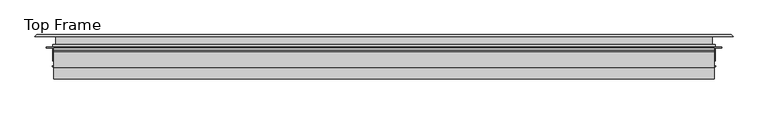
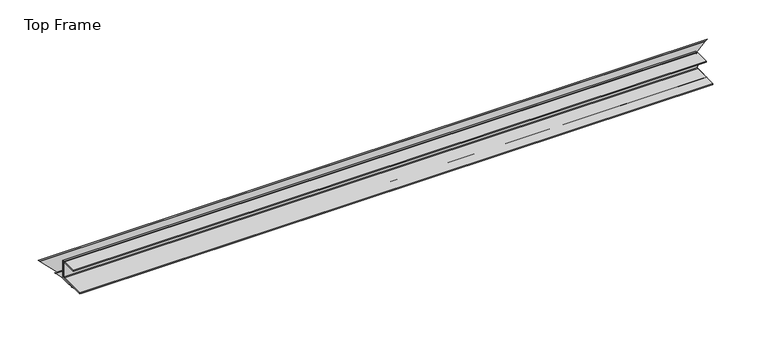
"""IFC4 building model written with IfcOpenShell, lengths in millimetres: proxy geometry, Top Frame."""

from ifc_helpers import new_model, si_unit, point, frame, frame_2d, origin, place, context, project, spatial, polyline, circle_curve, ellipse_curve, trimmed, segment, composite_curve, outline, extrude, source, transform, mapped, element, save
from ifc_brep_helpers import plane_surface, cylinder_surface, advanced_brep


def top_frame_e7799721(model_context):
    return source(origin(), model_context, "Body", "SolidModel", [
        extrude(outline(composite_curve([segment(polyline([(-142.2300781, 235.2841824), (-142.2300781, 236.8970824), (-101.5018112, 236.8970824)]), True, "CONTINUOUS"), segment(trimmed(circle_curve(frame_2d((-101.5018112, 237.7098824)), 0.8128), [point((-101.5018112, 236.8970824))], [point((-100.6890112, 237.7098824))], True, "CARTESIAN"), True, "CONTINUOUS"), segment(polyline([(-100.6890112, 237.7098824), (-100.6890112, 260.8323216)]), True, "CONTINUOUS"), segment(trimmed(circle_curve(frame_2d((-101.5187721, 260.8323216)), 0.8297608), [point((-100.6890112, 260.8323216))], [point((-101.5187721, 261.6620824))], True, "CARTESIAN"), True, "CONTINUOUS"), segment(polyline([(-101.5187721, 261.6620824), (-124.4761112, 261.6620824), (-124.4761112, 263.2749824), (-101.5018112, 263.2749824)]), True, "CONTINUOUS"), segment(trimmed(circle_curve(frame_2d((-101.5018112, 260.8492824)), 2.4257), [point((-101.5018112, 263.2749824))], [point((-99.0761112, 260.8492824))], False, "CARTESIAN"), True, "CONTINUOUS"), segment(polyline([(-99.0761112, 260.8492824), (-99.0761112, 237.7098824)]), True, "CONTINUOUS"), segment(trimmed(circle_curve(frame_2d((-101.5018112, 237.7098824)), 2.4257), [point((-99.0761112, 237.7098824))], [point((-101.5018112, 235.2841824))], False, "CARTESIAN"), True, "CONTINUOUS"), segment(polyline([(-101.5018112, 235.2841824), (-142.2300781, 235.2841824)]), True, "CONTINUOUS")], self_intersect=False)), frame((-153.8169575, 0.0, 0.0), z_axis=(1.0, 0.0, 0.0), x_axis=(0.0, 1.0, 0.0)), (0.0, 0.0, 1.0), 983.4569647),
        extrude(outline(polyline([(829.6400072, -95.9011112), (829.6400072, -99.0761112), (-153.8169575, -99.0761112), (-153.8169575, -95.9011112), (829.6400072, -95.9011112)])), frame((0.0, 0.0, 236.5795824), z_axis=(0.0, 0.0, 1.0), x_axis=(1.0, 0.0, 0.0)), (0.0, 0.0, 1.0), 25.4),
        advanced_brep(
        [(-151.2455434, -77.6321612, 230.8645824), (-151.2455434, -90.6620297, 230.8645824), (827.0244128, -90.6620297, 230.8645824), (827.0244128, -77.6321612, 230.8645824), (-155.6651434, -90.6620297, 235.2841824), (831.4440128, -90.6620297, 235.2841824), (-155.6651434, -94.3803043, 235.2841824), (831.4440128, -94.3803043, 235.2841824), (-164.8097078, -94.3803043, 244.4287468), (840.5885772, -94.3803043, 244.4287468), (-164.8097078, -95.8979182, 244.4287468), (840.5885772, -95.8979182, 244.4287468), (-155.6651434, -95.8979182, 235.2841824), (831.4440128, -95.8979182, 235.2841824), (-155.6651434, -115.1606612, 235.2841824), (831.4440128, -115.1606612, 235.2841824), (-149.1373434, -115.1606612, 228.7563824), (824.9162128, -115.1606612, 228.7563824), (-149.1373434, -122.1488543, 228.7563824), (824.9162128, -122.1488543, 228.7563824), (-155.2847078, -122.1488543, 234.9037468), (831.0635772, -122.1488543, 234.9037468), (-155.2847078, -123.6696612, 234.9037468), (831.0635772, -123.6696612, 234.9037468), (-147.6133434, -123.6696612, 227.2323824), (823.3922128, -123.6696612, 227.2323824), (-147.6133434, -119.8564682, 227.2323824), (823.3922128, -119.8564682, 227.2323824), (-147.6133434, -118.3272703, 227.2323824), (-147.6133434, -115.1606612, 227.2323824), (823.3922128, -115.1606612, 227.2323824), (823.3922128, -118.3272703, 227.2323824), (-139.4345434, -115.1606612, 219.0535824), (815.2134128, -115.1606612, 219.0535824), (-139.4345434, -118.3272703, 219.0535824), (815.2134128, -118.3272703, 219.0535824), (-137.6565434, -119.8564682, 217.2755824), (-137.6565434, -113.3826612, 217.2755824), (813.4354128, -113.3826612, 217.2755824), (813.4354128, -119.8564682, 217.2755824), (-153.8871434, -113.3826612, 233.5061824), (829.6660128, -113.3826612, 233.5061824), (-153.8871434, -108.4927874, 233.5061824), (829.6660128, -108.4927874, 233.5061824), (-153.8871434, -107.3505351, 233.5061824), (-153.8871434, -102.5144516, 233.5061824), (829.6660128, -102.5144516, 233.5061824), (829.6660128, -107.3505351, 233.5061824), (-153.8871434, -100.3016612, 233.5061824), (-153.8871434, -92.4400297, 233.5061824), (829.6660128, -92.4400297, 233.5061824), (829.6660128, -100.3016612, 233.5061824), (-146.7370434, -92.4400297, 226.3560824), (822.5159128, -92.4400297, 226.3560824), (-146.7370434, -89.7304417, 226.3560824), (822.5159128, -89.7304417, 226.3560824), (-149.294387, -90.6612387, 228.913426), (825.0732564, -90.6612387, 228.913426), (-139.6055265, -90.6620297, 219.2245655), (-142.1650434, -89.7304417, 221.7840824), (817.9439128, -89.7304417, 221.7840824), (815.384396, -90.6620297, 219.2245655), (-142.1650434, -92.1860297, 221.7840824), (817.9439128, -92.1860297, 221.7840824), (-137.6565434, -92.1860297, 217.2755824), (813.4354128, -92.1860297, 217.2755824), (-137.6565434, -75.8541612, 217.2755824), (813.4354128, -75.8541612, 217.2755824), (-179.3577357, -75.8541612, 258.9767747), (855.1366051, -75.8541612, 258.9767747), (-178.5371532, -77.6321612, 258.1561922), (854.3160227, -77.6321612, 258.1561922), (-179.333326, -78.4283341, 258.9523651), (855.1121955, -78.4283341, 258.9523651), (857.7107779, -78.4283341, 261.5509475), (-181.9319085, -78.4283341, 261.5509475), (-139.6055265, -77.6321612, 219.2245655), (815.384396, -77.6321612, 219.2245655), (-142.944387, -77.6321612, 222.563426), (818.7232564, -77.6321612, 222.563426), (-142.944387, -79.3102746, 222.563426), (818.7232564, -79.3102746, 222.563426), (-146.0064683, -79.3102746, 225.6255073), (821.7853377, -79.3102746, 225.6255073), (-146.0064683, -77.6321612, 225.6255073), (821.7853377, -77.6321612, 225.6255073), (-149.294387, -77.6321612, 228.913426), (825.0732564, -77.6321612, 228.913426), (-152.4924528, -100.3016612, 232.1114918), (828.2713222, -100.3016612, 232.1114918), (-152.4924528, -102.5144516, 232.1114918), (828.2713222, -102.5144516, 232.1114918), (-154.702796, -107.9216612, 234.321835), (830.4816655, -107.9216612, 234.321835), (-141.3083483, -119.8564682, 220.9273873), (817.0872177, -119.8564682, 220.9273873), (-141.3083483, -118.3272703, 220.9273873), (817.0872177, -118.3272703, 220.9273873), (-145.9196644, -118.3272703, 225.5387035), (821.6985339, -118.3272703, 225.5387035), (-145.9196644, -119.8564682, 225.5387035), (821.6985339, -119.8564682, 225.5387035)],
        [
            (0, 1),
            (1, 2),
            (2, 3),
            (3, 0),
            (1, 4),
            (4, 5),
            (5, 2),
            (4, 6),
            (6, 7),
            (7, 5),
            (6, 8),
            (8, 9),
            (9, 7),
            (8, 10, ellipse_curve(frame((-164.4178538, -95.1391112, 244.0368928), z_axis=(0.7071067811865469, 0.0, 0.7071067811865482), x_axis=(-0.707106781186548, 0.0, 0.7071067811865469)), 1.2077563, 0.8540127)),
            (10, 11),
            (11, 9, ellipse_curve(frame((840.1967232, -95.1391112, 244.0368928), z_axis=(-0.707106781186548, 0.0, 0.707106781186547), x_axis=(-0.7071067811865471, 0.0, -0.707106781186548)), 1.2077563, 0.8540127)),
            (10, 12),
            (12, 13),
            (13, 11),
            (12, 14),
            (14, 15),
            (15, 13),
            (14, 16),
            (16, 17),
            (17, 15),
            (16, 18),
            (18, 19),
            (19, 17),
            (18, 20),
            (20, 21),
            (21, 19),
            (20, 22, ellipse_curve(frame((-154.9444064, -122.9092578, 234.5634454), z_axis=(0.7071067811865469, 0.0, 0.7071067811865482), x_axis=(-0.707106781186548, 0.0, 0.7071067811865469)), 1.1781498, 0.8330777)),
            (22, 23),
            (23, 21, ellipse_curve(frame((830.7232759, -122.9092578, 234.5634454), z_axis=(-0.707106781186548, 0.0, 0.707106781186547), x_axis=(-0.7071067811865471, 0.0, -0.707106781186548)), 1.1781498, 0.8330777)),
            (22, 24),
            (24, 25),
            (25, 23),
            (24, 26),
            (26, 27),
            (27, 25),
            (28, 29),
            (29, 30),
            (30, 31),
            (31, 28),
            (29, 32),
            (32, 33),
            (33, 30),
            (32, 34),
            (34, 35),
            (35, 33),
            (36, 37),
            (37, 38),
            (38, 39),
            (39, 36),
            (37, 40),
            (40, 41),
            (41, 38),
            (40, 42),
            (42, 43),
            (43, 41),
            (44, 45),
            (45, 46),
            (46, 47),
            (47, 44),
            (48, 49),
            (49, 50),
            (50, 51),
            (51, 48),
            (49, 52),
            (52, 53),
            (53, 50),
            (52, 54),
            (54, 55),
            (55, 53),
            (54, 56),
            (56, 57),
            (57, 55),
            (58, 59),
            (59, 60),
            (60, 61),
            (61, 58),
            (59, 62),
            (62, 63),
            (63, 60),
            (62, 64),
            (64, 65),
            (65, 63),
            (64, 66),
            (66, 67),
            (67, 65),
            (66, 68),
            (68, 69),
            (69, 67),
            (70, 0),
            (3, 71),
            (71, 70),
            (72, 70),
            (71, 73),
            (73, 72),
            (74, 75),
            (75, 72),
            (73, 74),
            (74, 69),
            (68, 75),
            (76, 58),
            (61, 77),
            (77, 76),
            (78, 76),
            (77, 79),
            (79, 78),
            (80, 78),
            (79, 81),
            (81, 80),
            (82, 80),
            (81, 83),
            (83, 82),
            (84, 82),
            (83, 85),
            (85, 84),
            (86, 84),
            (85, 87),
            (87, 86),
            (56, 86),
            (87, 57),
            (88, 48),
            (51, 89),
            (89, 88),
            (90, 88),
            (89, 91),
            (91, 90),
            (45, 90),
            (91, 46),
            (92, 44),
            (47, 93),
            (93, 92),
            (42, 92),
            (93, 43),
            (94, 36),
            (39, 95),
            (95, 94),
            (96, 94),
            (95, 97),
            (97, 96),
            (34, 96),
            (97, 35),
            (98, 28),
            (31, 99),
            (99, 98),
            (100, 98),
            (99, 101),
            (101, 100),
            (26, 100),
            (101, 27),
        ],
        [
            plane_surface(frame((-181.9319085, -90.6620297, 230.8645824), z_axis=(0.0, 0.0, 1.0), x_axis=(1.0, 0.0, 0.0))),
            plane_surface(frame((-181.9319085, -90.6620297, 235.2841824), z_axis=(0.0, 1.0, 0.0), x_axis=(1.0, 0.0, 0.0))),
            plane_surface(frame((-181.9319085, -94.3803043, 235.2841824), z_axis=(0.0, 0.0, 1.0), x_axis=(1.0, 0.0, 0.0))),
            plane_surface(frame((-181.9319085, -94.3803043, 244.4287468), z_axis=(0.0, 1.0, 0.0), x_axis=(1.0, 0.0, 0.0))),
            cylinder_surface(frame((-181.9319085, -95.1391112, 244.0368928), z_axis=(-1.0, 0.0, 0.0), x_axis=(0.0, 1.0, 0.0)), 0.8540127),
            plane_surface(frame((-181.9319085, -95.8979182, 235.2841824), z_axis=(0.0, -1.0, 0.0), x_axis=(1.0, 0.0, 0.0))),
            plane_surface(frame((-181.9319085, -115.1606612, 235.2841824), z_axis=(0.0, 0.0, 1.0), x_axis=(1.0, 0.0, 0.0))),
            plane_surface(frame((-181.9319085, -115.1606612, 228.7563824), z_axis=(0.0, -1.0, 0.0), x_axis=(1.0, 0.0, 0.0))),
            plane_surface(frame((-181.9319085, -122.1488543, 228.7563824), z_axis=(0.0, 0.0, 1.0), x_axis=(1.0, 0.0, 0.0))),
            plane_surface(frame((-181.9319085, -122.1488543, 234.9037468), z_axis=(0.0, 1.0, 0.0), x_axis=(1.0, 0.0, 0.0))),
            cylinder_surface(frame((-181.9319085, -122.9092578, 234.5634454), z_axis=(-1.0, 0.0, 0.0), x_axis=(0.0, 1.0, 0.0)), 0.8330777),
            plane_surface(frame((-181.9319085, -123.6696612, 227.2323824), z_axis=(0.0, -1.0, 0.0), x_axis=(1.0, 0.0, 0.0))),
            plane_surface(frame((-181.9319085, -119.8564682, 227.2323824), z_axis=(0.0, 0.0, -1.0), x_axis=(1.0, 0.0, 0.0))),
            plane_surface(frame((-181.9319085, -115.1606612, 227.2323824), z_axis=(0.0, 0.0, -1.0), x_axis=(1.0, 0.0, 0.0))),
            plane_surface(frame((-181.9319085, -115.1606612, 219.0535824), z_axis=(0.0, -1.0, 0.0), x_axis=(1.0, 0.0, 0.0))),
            plane_surface(frame((-181.9319085, -118.3272703, 219.0535824), z_axis=(0.0, 0.0, 1.0), x_axis=(1.0, 0.0, 0.0))),
            plane_surface(frame((-181.9319085, -113.3826612, 217.2755824), z_axis=(0.0, 0.0, -1.0), x_axis=(1.0, 0.0, 0.0))),
            plane_surface(frame((-181.9319085, -113.3826612, 233.5061824), z_axis=(0.0, 1.0, 0.0), x_axis=(1.0, 0.0, 0.0))),
            plane_surface(frame((-181.9319085, -108.4927874, 233.5061824), z_axis=(0.0, 0.0, -1.0), x_axis=(1.0, 0.0, 0.0))),
            plane_surface(frame((-181.9319085, -102.5144516, 233.5061824), z_axis=(0.0, 0.0, -1.0), x_axis=(1.0, 0.0, 0.0))),
            plane_surface(frame((-181.9319085, -92.4400297, 233.5061824), z_axis=(0.0, 0.0, -1.0), x_axis=(1.0, 0.0, 0.0))),
            plane_surface(frame((-181.9319085, -92.4400297, 226.3560824), z_axis=(0.0, -1.0, 0.0), x_axis=(1.0, 0.0, 0.0))),
            plane_surface(frame((-181.9319085, -89.7304417, 226.3560824), z_axis=(0.0, 0.0, -1.0), x_axis=(1.0, 0.0, 0.0))),
            plane_surface(frame((-181.9319085, -90.6612387, 228.913426), z_axis=(0.0, 0.9396926207859121, 0.3420201433256587), x_axis=(1.0, 0.0, 0.0))),
            plane_surface(frame((-181.9319085, -89.7304417, 221.7840824), z_axis=(0.0, 0.9396926207859045, -0.3420201433256794), x_axis=(1.0, 0.0, 0.0))),
            plane_surface(frame((-181.9319085, -92.1860297, 221.7840824), z_axis=(0.0, 0.0, 1.0), x_axis=(1.0, 0.0, 0.0))),
            plane_surface(frame((-181.9319085, -92.1860297, 217.2755824), z_axis=(0.0, -1.0, 0.0), x_axis=(1.0, 0.0, 0.0))),
            plane_surface(frame((-181.9319085, -75.8541612, 217.2755824), z_axis=(0.0, 0.0, -1.0), x_axis=(1.0, 0.0, 0.0))),
            plane_surface(frame((-181.9319085, -75.8541612, 258.9767747), z_axis=(0.0, 1.0, 0.0), x_axis=(1.0, 0.0, 0.0))),
            plane_surface(frame((-181.9319085, -77.6321612, 230.8645824), z_axis=(0.0, -1.0, 0.0), x_axis=(1.0, 0.0, 0.0))),
            plane_surface(frame((-181.9319085, -77.6321612, 258.1561922), z_axis=(0.0, -0.707106781186555, -0.70710678118654), x_axis=(1.0, 0.0, 0.0))),
            plane_surface(frame((-181.9319085, -78.4283341, 258.9523651), z_axis=(0.0, -1.0, 0.0), x_axis=(1.0, 0.0, 0.0))),
            plane_surface(frame((-181.9319085, -78.4283341, 261.5509475), z_axis=(0.0, 0.7071067811865476, 0.7071067811865476), x_axis=(1.0, 0.0, 0.0))),
            plane_surface(frame((-181.9319085, -90.6620297, 219.2245655), z_axis=(0.0, 0.0, 1.0), x_axis=(1.0, 0.0, 0.0))),
            plane_surface(frame((-181.9319085, -77.6321612, 219.2245655), z_axis=(0.0, -1.0, 0.0), x_axis=(1.0, 0.0, 0.0))),
            plane_surface(frame((-181.9319085, -77.6321612, 222.563426), z_axis=(0.0, 0.0, -1.0), x_axis=(1.0, 0.0, 0.0))),
            plane_surface(frame((-181.9319085, -79.3102746, 222.563426), z_axis=(0.0, -1.0, 0.0), x_axis=(1.0, 0.0, 0.0))),
            plane_surface(frame((-181.9319085, -79.3102746, 225.6255073), z_axis=(0.0, 0.0, 1.0), x_axis=(1.0, 0.0, 0.0))),
            plane_surface(frame((-181.9319085, -77.6321612, 225.6255073), z_axis=(0.0, -1.0, 0.0), x_axis=(1.0, 0.0, 0.0))),
            plane_surface(frame((-181.9319085, -77.6321612, 228.913426), z_axis=(0.0, 0.0, -1.0), x_axis=(1.0, 0.0, 0.0))),
            plane_surface(frame((-181.9319085, -100.3016612, 233.5061824), z_axis=(0.0, 1.0, 0.0), x_axis=(1.0, 0.0, 0.0))),
            plane_surface(frame((-181.9319085, -100.3016612, 232.1114918), z_axis=(0.0, 0.0, -1.0), x_axis=(1.0, 0.0, 0.0))),
            plane_surface(frame((-181.9319085, -102.5144516, 232.1114918), z_axis=(0.0, -1.0, 0.0), x_axis=(1.0, 0.0, 0.0))),
            plane_surface(frame((-181.9319085, -107.3505351, 233.5061824), z_axis=(0.0, -0.8191520442889877, -0.573576436351052), x_axis=(1.0, 0.0, 0.0))),
            plane_surface(frame((-181.9319085, -107.9216612, 234.321835), z_axis=(0.0, 0.8191520442889936, -0.5735764363510437), x_axis=(1.0, 0.0, 0.0))),
            plane_surface(frame((-181.9319085, -119.8564682, 217.2755824), z_axis=(0.0, -1.0, 0.0), x_axis=(1.0, 0.0, 0.0))),
            plane_surface(frame((-181.9319085, -119.8564682, 220.9273873), z_axis=(0.0, 0.0, 1.0), x_axis=(1.0, 0.0, 0.0))),
            plane_surface(frame((-181.9319085, -118.3272703, 220.9273873), z_axis=(0.0, 1.0, 0.0), x_axis=(1.0, 0.0, 0.0))),
            plane_surface(frame((-181.9319085, -118.3272703, 227.2323824), z_axis=(0.0, 1.0, 0.0), x_axis=(1.0, 0.0, 0.0))),
            plane_surface(frame((-181.9319085, -118.3272703, 225.5387035), z_axis=(0.0, 0.0, -1.0), x_axis=(1.0, 0.0, 0.0))),
            plane_surface(frame((-181.9319085, -119.8564682, 225.5387035), z_axis=(0.0, -1.0, 0.0), x_axis=(1.0, 0.0, 0.0))),
            plane_surface(frame((-197.9003718, -56.8041612, 277.5194108), z_axis=(-0.7071067811865469, 0.0, -0.7071067811865482), x_axis=(0.0, -1.0, 0.0))),
            plane_surface(frame((803.8292412, -56.8041612, 207.6694108), z_axis=(0.707106781186548, 0.0, -0.707106781186547), x_axis=(0.0, -1.0, 0.0))),
        ],
        [
            (0, [[1, 2, 3, 4]]),
            (1, [[5, 6, 7, -2]]),
            (2, [[8, 9, 10, -6]]),
            (3, [[11, 12, 13, -9]]),
            (4, [[14, 15, 16, -12]]),
            (5, [[17, 18, 19, -15]]),
            (6, [[20, 21, 22, -18]]),
            (7, [[23, 24, 25, -21]]),
            (8, [[26, 27, 28, -24]]),
            (9, [[29, 30, 31, -27]]),
            (10, [[32, 33, 34, -30]]),
            (11, [[35, 36, 37, -33]]),
            (12, [[38, 39, 40, -36]]),
            (13, [[41, 42, 43, 44]]),
            (14, [[45, 46, 47, -42]]),
            (15, [[48, 49, 50, -46]]),
            (16, [[51, 52, 53, 54]]),
            (17, [[55, 56, 57, -52]]),
            (18, [[58, 59, 60, -56]]),
            (19, [[61, 62, 63, 64]]),
            (20, [[65, 66, 67, 68]]),
            (21, [[69, 70, 71, -66]]),
            (22, [[72, 73, 74, -70]]),
            (23, [[75, 76, 77, -73]]),
            (24, [[78, 79, 80, 81]]),
            (25, [[82, 83, 84, -79]]),
            (26, [[85, 86, 87, -83]]),
            (27, [[88, 89, 90, -86]]),
            (28, [[91, 92, 93, -89]]),
            (29, [[94, -4, 95, 96]]),
            (30, [[97, -96, 98, 99]]),
            (31, [[100, 101, -99, 102]]),
            (32, [[-100, 103, -92, 104]]),
            (33, [[105, -81, 106, 107]]),
            (34, [[108, -107, 109, 110]]),
            (35, [[111, -110, 112, 113]]),
            (36, [[114, -113, 115, 116]]),
            (37, [[117, -116, 118, 119]]),
            (38, [[120, -119, 121, 122]]),
            (39, [[123, -122, 124, -76]]),
            (40, [[125, -68, 126, 127]]),
            (41, [[128, -127, 129, 130]]),
            (42, [[131, -130, 132, -62]]),
            (43, [[133, -64, 134, 135]]),
            (44, [[136, -135, 137, -59]]),
            (45, [[138, -54, 139, 140]]),
            (46, [[141, -140, 142, 143]]),
            (47, [[144, -143, 145, -49]]),
            (48, [[146, -44, 147, 148]]),
            (49, [[149, -148, 150, 151]]),
            (50, [[152, -151, 153, -39]]),
            (51, [[-1, -94, -97, -101, -104, -91, -88, -85, -82, -78, -105, -108, -111, -114, -117, -120, -123, -75, -72, -69, -65, -125, -128, -131, -61, -133, -136, -58, -55, -51, -138, -141, -144, -48, -45, -41, -146, -149, -152, -38, -35, -32, -29, -26, -23, -20, -17, -14, -11, -8, -5]]),
            (52, [[-3, -7, -10, -13, -16, -19, -22, -25, -28, -31, -34, -37, -40, -153, -150, -147, -43, -47, -50, -145, -142, -139, -53, -57, -60, -137, -134, -63, -132, -129, -126, -67, -71, -74, -77, -124, -121, -118, -115, -112, -109, -106, -80, -84, -87, -90, -93, -103, -102, -98, -95]]),
        ],
    ),
    ])


if __name__ == "__main__":
    model = new_model("IFC4")
    model_context = context("Model", 3, world=origin())
    ifc_project = project(units=[si_unit("LENGTHUNIT", "METRE", prefix="MILLI")], contexts=[model_context])
    site = spatial("IfcSite", under=ifc_project)
    building = spatial("IfcBuilding", under=site)
    placement = place(None, origin())
    top_frame_shape = top_frame_e7799721(model_context)
    element("IfcBuildingElementProxy", 1, Name="Top Frame", ObjectType="Top Frame", at=placement, inside=building, context=model_context, shape_type="MappedRepresentation", body=[
        mapped(top_frame_shape, transform((0.0, 0.0, 0.0), x_axis=(1.0, 0.0, 0.0), y_axis=(0.0, 1.0, 0.0), z_axis=(0.0, 0.0, 1.0))),
    ])
    save(model, "model.ifc")
